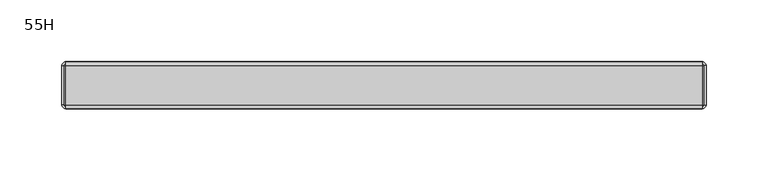
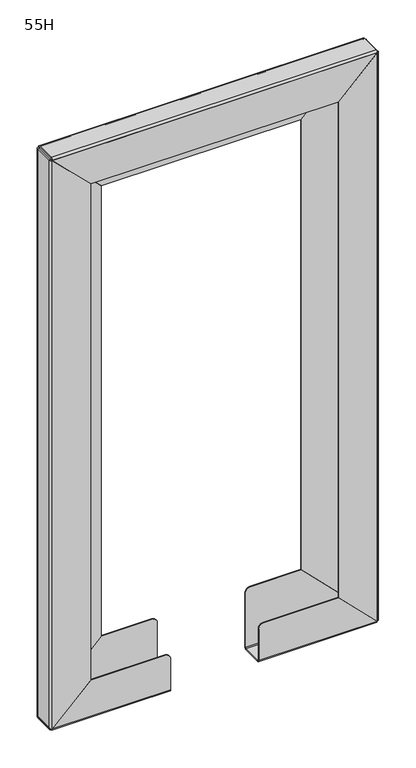
"""IFC4 building model written with IfcOpenShell, lengths in millimetres: furniture geometry, 55H."""

from ifc_helpers import new_model, si_unit, point, frame, frame_2d, origin, place, context, project, spatial, polyline, circle_curve, trimmed, segment, composite_curve, outline, extrude, source, transform, mapped, element, save


def furniture_55h_b0235c19(model_context):
    return source(origin(), model_context, "Body", "SweptSolid", [
        extrude(outline(polyline([(893.5413575, 63.4999985), (953.8790872, 3.1750001), (3.19288, 3.1750001), (63.4978666, 63.4999985), (893.5413575, 63.4999985)])), frame((0.0, -19.0499642, 0.0), z_axis=(0.0, 1.0, 0.0), x_axis=(0.0, 0.0, 1.0)), (0.0, 0.0, 1.0), 1.5874638),
        extrude(outline(polyline([(63.4978802, 457.2), (3.1929041, 517.5249879), (953.8790588, 517.5249879), (893.5413575, 457.2), (63.4978802, 457.2)])), frame((0.0, -19.0499642, 0.0), z_axis=(0.0, 1.0, 0.0), x_axis=(0.0, 0.0, 1.0)), (0.0, 0.0, 1.0), 1.5874638),
        extrude(outline(polyline([(855.4333121, 101.600003), (953.8790872, 3.1750001), (3.19288, 3.1750001), (101.5852321, 101.600003), (855.4333121, 101.600003)])), frame((0.0, 17.4625004, 0.0), z_axis=(0.0, 1.0, 0.0), x_axis=(0.0, 0.0, 1.0)), (0.0, 0.0, 1.0), 1.5874996),
        extrude(outline(polyline([(101.5852412, 419.1), (3.1929041, 517.5249879), (953.8790588, 517.5249879), (855.4333279, 419.1), (101.5852412, 419.1)])), frame((0.0, 17.4625004, 0.0), z_axis=(0.0, 1.0, 0.0), x_axis=(0.0, 0.0, 1.0)), (0.0, 0.0, 1.0), 1.5874996),
        extrude(outline(polyline([(855.4720242, 101.5612991), (855.4720242, 419.1386881), (953.8969758, 517.542901), (953.8969758, 3.1571153), (855.4720242, 101.5612991)])), frame((0.0, 17.4625004, 0.0), z_axis=(0.0, 1.0, 0.0), x_axis=(0.0, 0.0, 1.0)), (0.0, 0.0, 1.0), 1.5874996),
        extrude(outline(polyline([(893.5413575, 63.4999985), (893.5413575, 457.2), (953.8969758, 517.542901), (953.8969758, 3.1571153), (893.5413575, 63.4999985)])), frame((0.0, -19.05, 0.0), z_axis=(0.0, 1.0, 0.0), x_axis=(0.0, 0.0, 1.0)), (0.0, 0.0, 1.0), 1.592666),
        extrude(outline(composite_curve([segment(polyline([(101.600003, 101.6147789), (3.1768866, 3.1590015), (3.1768866, 190.5), (93.345003, 190.5)]), True, "CONTINUOUS"), segment(trimmed(circle_curve(frame_2d((93.345003, 182.245)), 8.255), [point((93.345003, 190.5))], [point((101.600003, 182.245))], False, "CARTESIAN"), True, "CONTINUOUS"), segment(polyline([(101.600003, 182.245), (101.600003, 101.6147789)]), True, "CONTINUOUS")], self_intersect=False)), frame((0.0, 17.4625004, 0.0), z_axis=(0.0, 1.0, 0.0), x_axis=(0.0, 0.0, 1.0)), (0.0, 0.0, 1.0), 1.5874996),
        extrude(outline(composite_curve([segment(polyline([(101.600003, 419.0852333), (101.600003, 338.4550121)]), True, "CONTINUOUS"), segment(trimmed(circle_curve(frame_2d((93.345003, 338.4550121)), 8.255), [point((101.600003, 338.4550121))], [point((93.345003, 330.2000121))], False, "CARTESIAN"), True, "CONTINUOUS"), segment(polyline([(93.345003, 330.2000121), (3.1768866, 330.2000121), (3.1768866, 517.5410106), (101.600003, 419.0852333)]), True, "CONTINUOUS")], self_intersect=False)), frame((0.0, 17.4625004, 0.0), z_axis=(0.0, 1.0, 0.0), x_axis=(0.0, 0.0, 1.0)), (0.0, 0.0, 1.0), 1.5874996),
        extrude(outline(composite_curve([segment(polyline([(63.4978666, 63.4999985), (3.1768866, 3.1590015), (3.1768866, 190.5), (55.2428666, 190.5)]), True, "CONTINUOUS"), segment(trimmed(circle_curve(frame_2d((55.2428666, 182.245)), 8.255), [point((55.2428666, 190.5))], [point((63.4978666, 182.245))], False, "CARTESIAN"), True, "CONTINUOUS"), segment(polyline([(63.4978666, 182.245), (63.4978666, 63.4999985)]), True, "CONTINUOUS")], self_intersect=False)), frame((0.0, -19.05, 0.0), z_axis=(0.0, 1.0, 0.0), x_axis=(0.0, 0.0, 1.0)), (0.0, 0.0, 1.0), 1.592666),
        extrude(outline(composite_curve([segment(polyline([(63.4978666, 457.2000136), (63.4978666, 338.4550121)]), True, "CONTINUOUS"), segment(trimmed(circle_curve(frame_2d((55.2428666, 338.4550121)), 8.255), [point((63.4978666, 338.4550121))], [point((55.2428666, 330.2000121))], False, "CARTESIAN"), True, "CONTINUOUS"), segment(polyline([(55.2428666, 330.2000121), (3.1768866, 330.2000121), (3.1768866, 517.5410106), (63.4978666, 457.2000136)]), True, "CONTINUOUS")], self_intersect=False)), frame((0.0, -19.05, 0.0), z_axis=(0.0, 1.0, 0.0), x_axis=(0.0, 0.0, 1.0)), (0.0, 0.0, 1.0), 1.592666),
        extrude(outline(composite_curve([segment(polyline([(1.5875, 330.2000121), (0.0, 330.2000121), (0.0, 517.5231255)]), True, "CONTINUOUS"), segment(trimmed(circle_curve(frame_2d((3.1768866, 517.5231255)), 3.1768866), [point((0.0, 517.5231255))], [point((3.1768866, 520.7000121))], False, "CARTESIAN"), True, "CONTINUOUS"), segment(polyline([(3.1768866, 520.7000121), (953.8969758, 520.7000121), (953.8969758, 519.1125121), (3.1768866, 519.1125121)]), True, "CONTINUOUS"), segment(trimmed(circle_curve(frame_2d((3.1768866, 517.5231255)), 1.5893866), [point((3.1768866, 519.1125121))], [point((1.5875, 517.5231255))], True, "CARTESIAN"), True, "CONTINUOUS"), segment(polyline([(1.5875, 517.5231255), (1.5875, 330.2000121)]), True, "CONTINUOUS")], self_intersect=False)), frame((0.0, -15.8749996, 0.0), z_axis=(0.0, 1.0, 0.0), x_axis=(0.0, 0.0, 1.0)), (0.0, 0.0, 1.0), 31.7499992),
        extrude(outline(composite_curve([segment(trimmed(circle_curve(frame_2d((3.1750001, -15.8749996)), 1.5823344), [point((1.5926657, -15.8749996))], [point((3.1750001, -17.457334))], True, "CARTESIAN"), True, "CONTINUOUS"), segment(polyline([(3.1750001, -17.457334), (3.1750001, -19.05)]), True, "CONTINUOUS"), segment(trimmed(circle_curve(frame_2d((3.1750001, -15.8749996)), 3.1750004), [point((3.1750001, -19.05))], [point((-3e-07, -15.8749996))], False, "CARTESIAN"), True, "CONTINUOUS"), segment(polyline([(-3e-07, -15.8749996), (1.5926657, -15.8749996)]), True, "CONTINUOUS")], self_intersect=False)), frame((0.0, 0.0, 3.1750001), z_axis=(0.0, 0.0, 1.0), x_axis=(1.0, 0.0, 0.0)), (0.0, 0.0, 1.0), 950.7219757),
        extrude(outline(composite_curve([segment(polyline([(1.5926657, 15.8749996), (-3e-07, 15.8749996)]), True, "CONTINUOUS"), segment(trimmed(circle_curve(frame_2d((3.1750001, 15.8749996)), 3.1750004), [point((-3e-07, 15.8749996))], [point((3.1750001, 19.05))], False, "CARTESIAN"), True, "CONTINUOUS"), segment(polyline([(3.1750001, 19.05), (3.1750001, 17.457334)]), True, "CONTINUOUS"), segment(trimmed(circle_curve(frame_2d((3.1750001, 15.8749996)), 1.5823344), [point((3.1750001, 17.457334))], [point((1.5926657, 15.8749996))], True, "CARTESIAN"), True, "CONTINUOUS")], self_intersect=False)), frame((0.0, 0.0, 3.1750001), z_axis=(0.0, 0.0, 1.0), x_axis=(1.0, 0.0, 0.0)), (0.0, 0.0, 1.0), 950.7219757),
        extrude(outline(composite_curve([segment(polyline([(519.1125, -15.8749996), (520.7000121, -15.8749996)]), True, "CONTINUOUS"), segment(trimmed(circle_curve(frame_2d((517.5249879, -15.8749996)), 3.1750242), [point((520.7000121, -15.8749996))], [point((517.5249879, -19.0500238))], False, "CARTESIAN"), True, "CONTINUOUS"), segment(polyline([(517.5249879, -19.0500238), (517.5249879, -17.4625117)]), True, "CONTINUOUS"), segment(trimmed(circle_curve(frame_2d((517.5249879, -15.8749996)), 1.5875121), [point((517.5249879, -17.4625117))], [point((519.1125, -15.8749996))], True, "CARTESIAN"), True, "CONTINUOUS")], self_intersect=False)), frame((0.0, 0.0, 3.1750001), z_axis=(0.0, 0.0, 1.0), x_axis=(1.0, 0.0, 0.0)), (0.0, 0.0, 1.0), 950.7219757),
        extrude(outline(composite_curve([segment(trimmed(circle_curve(frame_2d((517.5249879, 15.8749996)), 1.5875121), [point((519.1125, 15.8749996))], [point((517.5249879, 17.4625117))], True, "CARTESIAN"), True, "CONTINUOUS"), segment(polyline([(517.5249879, 17.4625117), (517.5249879, 19.0500238)]), True, "CONTINUOUS"), segment(trimmed(circle_curve(frame_2d((517.5249879, 15.8749996)), 3.1750242), [point((517.5249879, 19.0500238))], [point((520.7000121, 15.8749996))], False, "CARTESIAN"), True, "CONTINUOUS"), segment(polyline([(520.7000121, 15.8749996), (519.1125, 15.8749996)]), True, "CONTINUOUS")], self_intersect=False)), frame((0.0, 0.0, 3.1750001), z_axis=(0.0, 0.0, 1.0), x_axis=(1.0, 0.0, 0.0)), (0.0, 0.0, 1.0), 950.7219757),
        extrude(outline(composite_curve([segment(polyline([(0.0, 190.5), (1.5875, 190.5), (1.5875, 3.1768866)]), True, "CONTINUOUS"), segment(trimmed(circle_curve(frame_2d((3.1768866, 3.1768866)), 1.5893866), [point((1.5875, 3.1768866))], [point((3.1768866, 1.5875))], True, "CARTESIAN"), True, "CONTINUOUS"), segment(polyline([(3.1768866, 1.5875), (953.8969758, 1.5875), (953.8969758, 0.0), (3.1768866, 0.0)]), True, "CONTINUOUS"), segment(trimmed(circle_curve(frame_2d((3.1768866, 3.1768866)), 3.1768866), [point((3.1768866, 0.0))], [point((0.0, 3.1768866))], False, "CARTESIAN"), True, "CONTINUOUS"), segment(polyline([(0.0, 3.1768866), (0.0, 190.5)]), True, "CONTINUOUS")], self_intersect=False)), frame((0.0, -15.8749996, 0.0), z_axis=(0.0, 1.0, 0.0), x_axis=(0.0, 0.0, 1.0)), (0.0, 0.0, 1.0), 31.7499992),
        extrude(outline(composite_curve([segment(polyline([(15.8749996, 955.4845242), (-15.8749996, 955.4845242)]), True, "CONTINUOUS"), segment(trimmed(circle_curve(frame_2d((-15.8749996, 953.8970121)), 1.5875121), [point((-15.8749996, 955.4845242))], [point((-17.4625117, 953.8969758))], True, "CARTESIAN"), True, "CONTINUOUS"), segment(polyline([(-17.4625117, 953.8969758), (-19.0500238, 953.8969758)]), True, "CONTINUOUS"), segment(trimmed(circle_curve(frame_2d((-15.8749996, 953.8969758)), 3.1750242), [point((-19.0500238, 953.8969758))], [point((-15.8749996, 957.072))], False, "CARTESIAN"), True, "CONTINUOUS"), segment(polyline([(-15.8749996, 957.072), (15.8749996, 957.072)]), True, "CONTINUOUS"), segment(trimmed(circle_curve(frame_2d((15.8749996, 953.8969996)), 3.1750004), [point((15.8749996, 957.072))], [point((19.05, 953.8969758))], False, "CARTESIAN"), True, "CONTINUOUS"), segment(polyline([(19.05, 953.8969758), (17.457334, 953.8969758)]), True, "CONTINUOUS"), segment(trimmed(circle_curve(frame_2d((15.8749996, 953.9021813)), 1.5823429), [point((17.457334, 953.8969758))], [point((15.8749996, 955.4845242))], True, "CARTESIAN"), True, "CONTINUOUS")], self_intersect=False)), frame((3.1750001, 0.0, 0.0), z_axis=(1.0, 0.0, 0.0), x_axis=(0.0, 1.0, 0.0)), (0.0, 0.0, 1.0), 514.3499878),
        extrude(outline(composite_curve([segment(trimmed(circle_curve(frame_2d((-15.7345966, 3.309789)), 1.7280023), [point((-17.457334, 3.1750001))], [point((-15.8749996, 1.5875))], True, "CARTESIAN"), True, "CONTINUOUS"), segment(polyline([(-15.8749996, 1.5875), (-15.8749996, -3e-07)]), True, "CONTINUOUS"), segment(trimmed(circle_curve(frame_2d((-15.8749996, 3.1750001)), 3.1750004), [point((-15.8749996, -3e-07))], [point((-19.05, 3.1750001))], False, "CARTESIAN"), True, "CONTINUOUS"), segment(polyline([(-19.05, 3.1750001), (-17.457334, 3.1750001)]), True, "CONTINUOUS")], self_intersect=False)), frame((330.2000121, 0.0, 0.0), z_axis=(1.0, 0.0, 0.0), x_axis=(0.0, 1.0, 0.0)), (0.0, 0.0, 1.0), 187.3249758),
        extrude(outline(composite_curve([segment(polyline([(17.457334, 3.1750001), (19.05, 3.1750001)]), True, "CONTINUOUS"), segment(trimmed(circle_curve(frame_2d((15.8749996, 3.1750001)), 3.1750004), [point((19.05, 3.1750001))], [point((15.8749996, -3e-07))], False, "CARTESIAN"), True, "CONTINUOUS"), segment(polyline([(15.8749996, -3e-07), (15.8749996, 1.5875)]), True, "CONTINUOUS"), segment(trimmed(circle_curve(frame_2d((15.7345966, 3.309789)), 1.7280023), [point((15.8749996, 1.5875))], [point((17.457334, 3.1750001))], True, "CARTESIAN"), True, "CONTINUOUS")], self_intersect=False)), frame((330.2000121, 0.0, 0.0), z_axis=(1.0, 0.0, 0.0), x_axis=(0.0, 1.0, 0.0)), (0.0, 0.0, 1.0), 187.3249758),
        extrude(outline(composite_curve([segment(trimmed(circle_curve(frame_2d((-15.7345966, 3.309789)), 1.7280023), [point((-17.457334, 3.1750001))], [point((-15.8749996, 1.5875))], True, "CARTESIAN"), True, "CONTINUOUS"), segment(polyline([(-15.8749996, 1.5875), (-15.8749996, -3e-07)]), True, "CONTINUOUS"), segment(trimmed(circle_curve(frame_2d((-15.8749996, 3.1750001)), 3.1750004), [point((-15.8749996, -3e-07))], [point((-19.05, 3.1750001))], False, "CARTESIAN"), True, "CONTINUOUS"), segment(polyline([(-19.05, 3.1750001), (-17.457334, 3.1750001)]), True, "CONTINUOUS")], self_intersect=False)), frame((3.1750001, 0.0, 0.0), z_axis=(1.0, 0.0, 0.0), x_axis=(0.0, 1.0, 0.0)), (0.0, 0.0, 1.0), 187.3249999),
        extrude(outline(composite_curve([segment(polyline([(17.457334, 3.1750001), (19.05, 3.1750001)]), True, "CONTINUOUS"), segment(trimmed(circle_curve(frame_2d((15.8749996, 3.1750001)), 3.1750004), [point((19.05, 3.1750001))], [point((15.8749996, -3e-07))], False, "CARTESIAN"), True, "CONTINUOUS"), segment(polyline([(15.8749996, -3e-07), (15.8749996, 1.5875)]), True, "CONTINUOUS"), segment(trimmed(circle_curve(frame_2d((15.7345966, 3.309789)), 1.7280023), [point((15.8749996, 1.5875))], [point((17.457334, 3.1750001))], True, "CARTESIAN"), True, "CONTINUOUS")], self_intersect=False)), frame((3.1750001, 0.0, 0.0), z_axis=(1.0, 0.0, 0.0), x_axis=(0.0, 1.0, 0.0)), (0.0, 0.0, 1.0), 187.3249999),
    ])


if __name__ == "__main__":
    model = new_model("IFC4")
    model_context = context("Model", 3, world=origin())
    ifc_project = project(units=[si_unit("LENGTHUNIT", "METRE", prefix="MILLI")], contexts=[model_context])
    site = spatial("IfcSite", under=ifc_project)
    building = spatial("IfcBuilding", under=site)
    placement = place(None, origin())
    furniture_55h_shape = furniture_55h_b0235c19(model_context)
    element("IfcFurniture", 1, ObjectType="55H", at=placement, inside=building, context=model_context, shape_type="MappedRepresentation", body=[
        mapped(furniture_55h_shape, transform((0.0, 0.0, 0.0), x_axis=(1.0, 0.0, 0.0), y_axis=(0.0, 1.0, 0.0), z_axis=(0.0, 0.0, 1.0))),
    ])
    save(model, "model.ifc")
